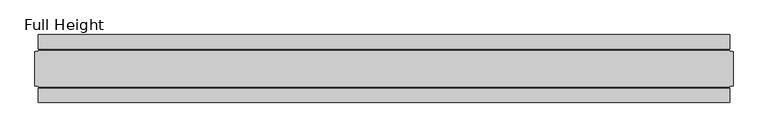
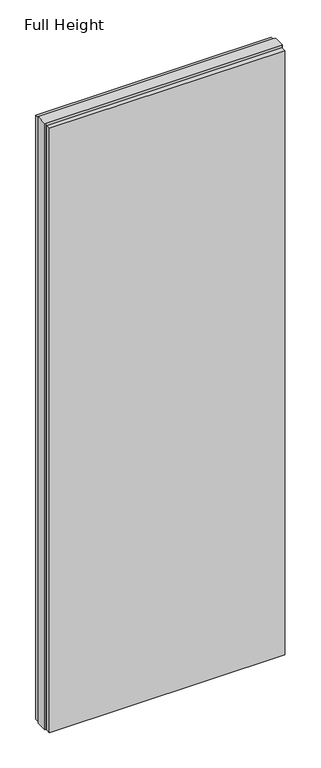
"""IFC4 building model written with IfcOpenShell, lengths in millimetres: plate geometry, Full Height."""

import ifcopenshell
import ifcopenshell.guid

model = None  # the IFC model being written
_history = None  # IfcOwnerHistory: only IFC2X3 demands one
_inside = {}  # id of a spatial element -> (the spatial element, [elements in it])
_under = {}  # id of a project, library or spatial element -> (it, [spatial elements below it])
_declared = {}  # id of a project -> (the project, [libraries it declares])
_typed = {}  # id of a type object -> (the type object, [elements of that type])
_made_of = {}  # id of a material, layer set ... -> (it, [elements and type objects made of it])


def new_model(schema):
    """Start an empty IFC model of exactly this schema.

    Asked for "IFC4X3", IfcOpenShell would pick the latest addendum, in which some entities
    have other attributes; the version numbers below select the first issue.
    IFC2X3 requires an IfcOwnerHistory on every rooted entity: one is made here for all.
    """
    global model, _history
    if schema == "IFC4X3":
        model = ifcopenshell.file(schema_version=(4, 3, 0, 0))
    else:
        model = ifcopenshell.file(schema=schema)
    _inside.clear()
    _under.clear()
    _declared.clear()
    _typed.clear()
    _made_of.clear()
    _history = None
    if model.schema == "IFC2X3":
        org = make("IfcOrganization", Name="unknown")
        user = make(
            "IfcPersonAndOrganization",
            ThePerson=make("IfcPerson", FamilyName="unknown"),
            TheOrganization=org,
        )
        app = make(
            "IfcApplication",
            ApplicationDeveloper=org,
            Version="unknown",
            ApplicationFullName="unknown",
            ApplicationIdentifier="unknown",
        )
        _history = make(
            "IfcOwnerHistory",
            OwningUser=user,
            OwningApplication=app,
            ChangeAction="ADDED",
            CreationDate=0,
        )
    return model


def make(cls, **values):
    """One entity of the class cls with the attributes given. An attribute that is None is left unset."""
    return model.create_entity(
        cls, **{name: value for name, value in values.items() if value is not None}
    )


def rooted(cls, **values):
    """An entity with a GlobalId (a new one), such as an element, a storey or a relation."""
    return make(cls, GlobalId=ifcopenshell.guid.new(), OwnerHistory=_history, **values)


def si_unit(unit_type, name, prefix=None):
    """IfcSIUnit, for example si_unit("LENGTHUNIT", "METRE", prefix="MILLI")."""
    return make("IfcSIUnit", UnitType=unit_type, Prefix=prefix, Name=name)


def assignment(units):
    """IfcUnitAssignment: the units of a project."""
    return None if units is None else make("IfcUnitAssignment", Units=units)


def point(xyz):
    """IfcCartesianPoint."""
    return None if xyz is None else make("IfcCartesianPoint", Coordinates=xyz)


def direction(xyz):
    """IfcDirection."""
    return None if xyz is None else make("IfcDirection", DirectionRatios=xyz)


def frame(location, z_axis=None, x_axis=None):
    """IfcAxis2Placement3D, a coordinate frame: its origin and axes. An axis left out is left unset."""
    return make(
        "IfcAxis2Placement3D",
        Location=point(location),
        Axis=direction(z_axis),
        RefDirection=direction(x_axis),
    )


def origin():
    """The frame at (0, 0, 0) with its axes left unset."""
    return frame((0.0, 0.0, 0.0))


def origin_with_axes():
    """The frame at (0, 0, 0) with the z axis (0, 0, 1) and the x axis (1, 0, 0) written out."""
    return frame((0.0, 0.0, 0.0), z_axis=(0.0, 0.0, 1.0), x_axis=(1.0, 0.0, 0.0))


def place(relative_to, where):
    """IfcLocalPlacement: puts the frame where relative to a parent placement (None: the world)."""
    return make(
        "IfcLocalPlacement", PlacementRelTo=relative_to, RelativePlacement=where
    )


def context(
    kind, dimensions, precision=None, world=None, true_north=None, identifier=None
):
    """IfcGeometricRepresentationContext, for example the 3D "Model" context."""
    return make(
        "IfcGeometricRepresentationContext",
        ContextIdentifier=identifier,
        ContextType=kind,
        CoordinateSpaceDimension=dimensions,
        Precision=precision,
        WorldCoordinateSystem=world,
        TrueNorth=true_north,
    )


def project(units=None, contexts=None):
    """IfcProject with its units and contexts."""
    return rooted(
        "IfcProject",
        Name="project",
        RepresentationContexts=contexts,
        UnitsInContext=assignment(units),
    )


def spatial(cls, under=None, at=None, **own):
    """A site, building, storey or space (cls), placed at a placement, below another one or the project."""
    s = rooted(cls, ObjectPlacement=at, **own)
    if under is not None:
        _under.setdefault(under.id(), (under, []))[1].append(s)
    return s


def polyline(points):
    """IfcPolyline through the points."""
    return make("IfcPolyline", Points=[point(p) for p in points])


def outline(outer, holes=None, kind="AREA"):
    """IfcArbitraryClosedProfileDef: a profile drawn as a closed curve; with holes, ...WithVoids."""
    if holes is None:
        return make("IfcArbitraryClosedProfileDef", ProfileType=kind, OuterCurve=outer)
    return make(
        "IfcArbitraryProfileDefWithVoids",
        ProfileType=kind,
        OuterCurve=outer,
        InnerCurves=holes,
    )


def extrude(swept, where, along, depth):
    """IfcExtrudedAreaSolid: the profile swept, set in the frame where, extruded along a direction by depth."""
    return make(
        "IfcExtrudedAreaSolid",
        SweptArea=swept,
        Position=where,
        ExtrudedDirection=direction(along),
        Depth=depth,
    )


def shape(context_of_items, identifier, shape_type, items):
    """IfcShapeRepresentation: the items that make up one representation, for example the "Body"."""
    return make(
        "IfcShapeRepresentation",
        ContextOfItems=context_of_items,
        RepresentationIdentifier=identifier,
        RepresentationType=shape_type,
        Items=items,
    )


def source(mapping_origin, context_of_items, identifier, shape_type, items):
    """IfcRepresentationMap: a shape defined once, which mapped items show again and again."""
    return make(
        "IfcRepresentationMap",
        MappingOrigin=mapping_origin,
        MappedRepresentation=shape(context_of_items, identifier, shape_type, items),
    )


def transform(
    local_origin,
    x_axis=None,
    y_axis=None,
    z_axis=None,
    scale=None,
    scale2=None,
    scale3=None,
    uniform=True,
):
    """IfcCartesianTransformationOperator3D, or its non-uniform kind. x_axis, y_axis, z_axis: its Axis1, 2, 3."""
    if uniform:
        return make(
            "IfcCartesianTransformationOperator3D",
            Axis1=direction(x_axis),
            Axis2=direction(y_axis),
            LocalOrigin=point(local_origin),
            Scale=scale,
            Axis3=direction(z_axis),
        )
    return make(
        "IfcCartesianTransformationOperator3DnonUniform",
        Axis1=direction(x_axis),
        Axis2=direction(y_axis),
        LocalOrigin=point(local_origin),
        Scale=scale,
        Axis3=direction(z_axis),
        Scale2=scale2,
        Scale3=scale3,
    )


def mapped(mapping_source, mapping_target):
    """IfcMappedItem: shows the shape of a source again, moved by a transform."""
    return make(
        "IfcMappedItem", MappingSource=mapping_source, MappingTarget=mapping_target
    )


def made_of(thing, what):
    """Note that an element or type object is made of a material, layer set ...; save() writes the relation."""
    if what is not None:
        _made_of.setdefault(what.id(), (what, []))[1].append(thing)
    return thing


def element(
    cls,
    number,
    at=None,
    inside=None,
    cuts=None,
    type_object=None,
    material=None,
    context=None,
    identifier="Body",
    shape_type=None,
    held_by="IfcProductDefinitionShape",
    body=None,
    shapes=None,
    **own,
):
    """One element of the class cls, such as IfcWall. Its Tag is "e" and its number.

    at: its placement. inside: the storey or other place that contains it. cuts: it is an
    opening in that element (IfcRelVoidsElement). A single representation is given by context,
    identifier, shape_type and body (its items); several are given by shapes. held_by: the class
    of the entity that holds the representations. save() writes the other relations.
    """
    e = rooted(cls, Tag="e%d" % number, ObjectPlacement=at, **own)
    if body is not None:
        shapes = [shape(context, identifier, shape_type, body)]
    if shapes is not None:
        e.Representation = make(held_by, Representations=shapes)
    if inside is not None:
        _inside.setdefault(inside.id(), (inside, []))[1].append(e)
    if cuts is not None:
        rooted(
            "IfcRelVoidsElement", RelatingBuildingElement=cuts, RelatedOpeningElement=e
        )
    if type_object is not None:
        _typed.setdefault(type_object.id(), (type_object, []))[1].append(e)
    return made_of(e, material)


def aggregate(whole, parts):
    """IfcRelAggregates: a whole, such as a stair, and the parts it consists of."""
    return rooted("IfcRelAggregates", RelatingObject=whole, RelatedObjects=parts)


def save(model, path):
    """Write the relations noted so far, then the file.

    IfcRelAggregates (storeys below a building ...), IfcRelContainedInSpatialStructure (elements
    in a storey), IfcRelDefinesByType, IfcRelAssociatesMaterial and IfcRelDeclares: one each for
    every whole, place, type object, material and project.
    """
    for whole, parts in _under.values():
        aggregate(whole, parts)
    for where, things in _inside.values():
        rooted(
            "IfcRelContainedInSpatialStructure",
            RelatedElements=things,
            RelatingStructure=where,
        )
    for kind, things in _typed.values():
        rooted("IfcRelDefinesByType", RelatedObjects=things, RelatingType=kind)
    for what, things in _made_of.values():
        rooted("IfcRelAssociatesMaterial", RelatedObjects=things, RelatingMaterial=what)
    for by, libraries in _declared.values():
        rooted("IfcRelDeclares", RelatingContext=by, RelatedDefinitions=libraries)
    model.write(path)


def full_height_46fcd175(model_context):
    return source(origin(), model_context, "Body", "SweptSolid", [
        extrude(outline(polyline([(503.428, 28.956), (-503.428, 28.956), (-503.428, 49.53), (503.428, 49.53), (503.428, 28.956)])), origin_with_axes(), (0.0, 0.0, 1.0), 2734.056),
        extrude(outline(polyline([(503.428, -28.956), (503.428, -49.53), (-503.428, -49.53), (-503.428, -28.956), (503.428, -28.956)])), origin_with_axes(), (0.0, 0.0, 1.0), 2734.056),
        extrude(outline(polyline([(503.428, -25.146), (503.428, -26.67), (-503.428, -26.67), (-503.428, -25.146), (-508.0, -25.146), (-508.0, 25.146), (-503.428, 25.146), (-503.428, 26.67), (503.428, 26.67), (503.428, 25.146), (508.0, 25.146), (508.0, -25.146), (503.428, -25.146)])), origin_with_axes(), (0.0, 0.0, 1.0), 2743.2),
    ])


if __name__ == "__main__":
    model = new_model("IFC4")
    model_context = context("Model", 3, world=origin())
    ifc_project = project(units=[si_unit("LENGTHUNIT", "METRE", prefix="MILLI")], contexts=[model_context])
    site = spatial("IfcSite", under=ifc_project)
    building = spatial("IfcBuilding", under=site)
    placement = place(None, origin())
    full_height_shape = full_height_46fcd175(model_context)
    element("IfcPlate", 1, ObjectType="Full Height", at=placement, inside=building, context=model_context, shape_type="MappedRepresentation", body=[
        mapped(full_height_shape, transform((0.0, 0.0, 0.0), x_axis=(1.0, 0.0, 0.0), y_axis=(0.0, 1.0, 0.0), z_axis=(0.0, 0.0, 1.0))),
    ])
    save(model, "model.ifc")
